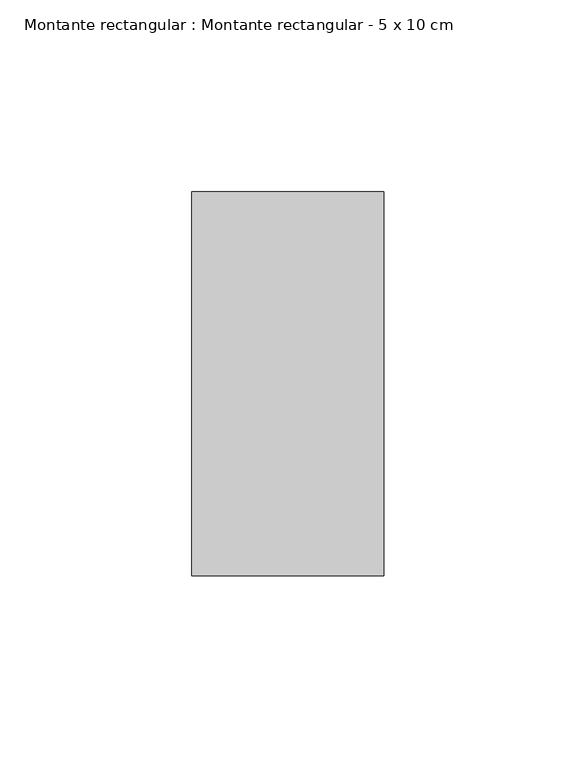
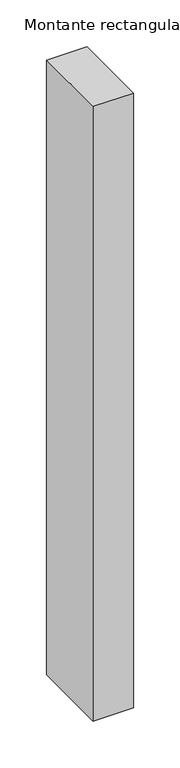
"""IFC4 building model written with IfcOpenShell, lengths in millimetres: member geometry, Montante rectangular : Montante rectangular - 5 x 10 cm."""

from ifc_helpers import new_model, si_unit, frame, origin, place, context, project, spatial, polyline, outline, extrude, source, transform, mapped, element, save


def montante_rectangular_montante_rectangular_5_x_10_cm_6a1bc351(model_context):
    return source(origin(), model_context, "Body", "SweptSolid", [
        extrude(outline(polyline([(0.0, 50.0), (0.0, -50.0), (-50.0, -50.0), (-50.0, 50.0), (0.0, 50.0)])), frame((0.0, 0.0, -804.4964839), z_axis=(0.0, 0.0, 1.0), x_axis=(1.0, 0.0, 0.0)), (0.0, 0.0, 1.0), 804.4964839),
    ])


if __name__ == "__main__":
    model = new_model("IFC4")
    model_context = context("Model", 3, world=origin())
    ifc_project = project(units=[si_unit("LENGTHUNIT", "METRE", prefix="MILLI")], contexts=[model_context])
    site = spatial("IfcSite", under=ifc_project)
    building = spatial("IfcBuilding", under=site)
    placement = place(None, origin())
    montante_rectangular_montante_rectangular_5_x_10_cm_shape = montante_rectangular_montante_rectangular_5_x_10_cm_6a1bc351(model_context)
    element("IfcMember", 1, ObjectType="Montante rectangular : Montante rectangular - 5 x 10 cm", at=placement, inside=building, context=model_context, shape_type="MappedRepresentation", body=[
        mapped(montante_rectangular_montante_rectangular_5_x_10_cm_shape, transform((0.0, 0.0, 0.0), x_axis=(1.0, 0.0, 0.0), y_axis=(0.0, 1.0, 0.0), z_axis=(0.0, 0.0, 1.0))),
    ])
    save(model, "model.ifc")
